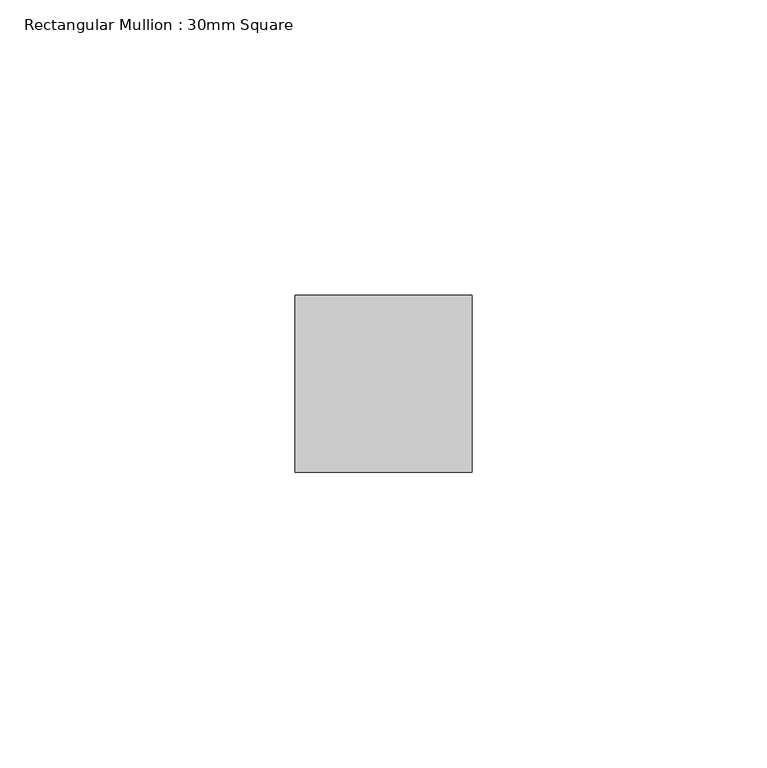
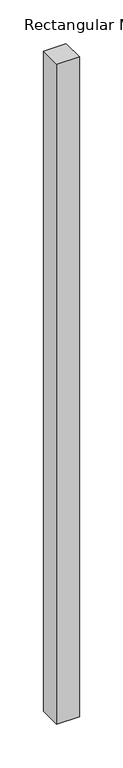
"""IFC4 building model written with IfcOpenShell, lengths in millimetres: member geometry, Rectangular Mullion : 30mm Square."""

from ifc_helpers import new_model, si_unit, frame, origin, place, context, project, spatial, polyline, outline, extrude, source, transform, mapped, element, save


def rectangular_mullion_30mm_square_a20a159c(model_context):
    return source(origin(), model_context, "Body", "SweptSolid", [
        extrude(outline(polyline([(15.0, 15.0), (15.0, -15.0), (-15.0, -15.0), (-15.0, 15.0), (15.0, 15.0)])), frame((0.0, 0.0, -921.6666667), z_axis=(0.0, 0.0, 1.0), x_axis=(1.0, 0.0, 0.0)), (0.0, 0.0, 1.0), 921.6666667),
    ])


if __name__ == "__main__":
    model = new_model("IFC4")
    model_context = context("Model", 3, world=origin())
    ifc_project = project(units=[si_unit("LENGTHUNIT", "METRE", prefix="MILLI")], contexts=[model_context])
    site = spatial("IfcSite", under=ifc_project)
    building = spatial("IfcBuilding", under=site)
    placement = place(None, origin())
    rectangular_mullion_30mm_square_shape = rectangular_mullion_30mm_square_a20a159c(model_context)
    element("IfcMember", 1, ObjectType="Rectangular Mullion : 30mm Square", at=placement, inside=building, context=model_context, shape_type="MappedRepresentation", body=[
        mapped(rectangular_mullion_30mm_square_shape, transform((0.0, 0.0, 0.0), x_axis=(1.0, 0.0, 0.0), y_axis=(0.0, 1.0, 0.0), z_axis=(0.0, 0.0, 1.0))),
    ])
    save(model, "model.ifc")
